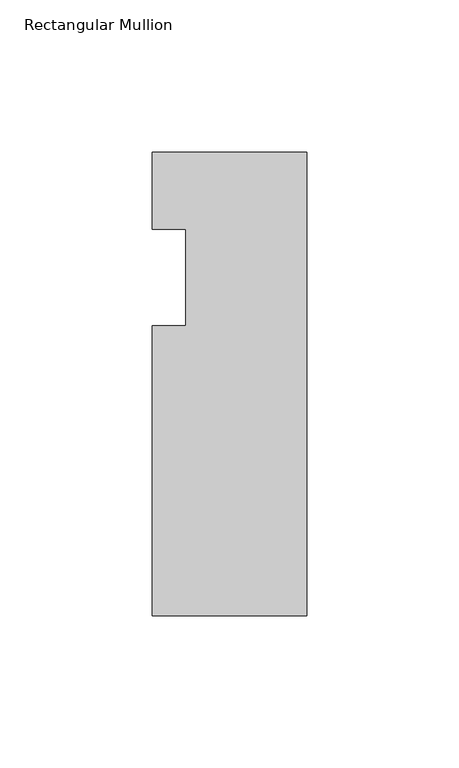
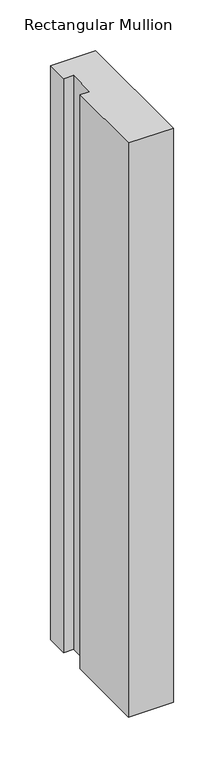
"""IFC4 building model written with IfcOpenShell, lengths in millimetres: member geometry, Rectangular Mullion."""

from ifc_helpers import new_model, si_unit, frame, origin, place, context, project, spatial, polyline, outline, extrude, source, transform, mapped, element, save


def rectangular_mullion_f3635430(model_context):
    return source(origin(), model_context, "Body", "SweptSolid", [
        extrude(outline(polyline([(0.0, 6.35), (0.0, -146.05), (-50.8, -146.05), (-50.8, -50.8000003), (-39.798625, -50.8000003), (-39.798625, -19.05), (-50.8, -19.05), (-50.8, 6.35), (0.0, 6.35)])), frame((0.0, 0.0, -687.3875002), z_axis=(0.0, 0.0, 1.0), x_axis=(1.0, 0.0, 0.0)), (0.0, 0.0, 1.0), 687.3875002),
    ])


if __name__ == "__main__":
    model = new_model("IFC4")
    model_context = context("Model", 3, world=origin())
    ifc_project = project(units=[si_unit("LENGTHUNIT", "METRE", prefix="MILLI")], contexts=[model_context])
    site = spatial("IfcSite", under=ifc_project)
    building = spatial("IfcBuilding", under=site)
    placement = place(None, origin())
    rectangular_mullion_shape = rectangular_mullion_f3635430(model_context)
    element("IfcMember", 1, ObjectType="Rectangular Mullion", at=placement, inside=building, context=model_context, shape_type="MappedRepresentation", body=[
        mapped(rectangular_mullion_shape, transform((0.0, 0.0, 0.0), x_axis=(1.0, 0.0, 0.0), y_axis=(0.0, 1.0, 0.0), z_axis=(0.0, 0.0, 1.0))),
    ])
    save(model, "model.ifc")
